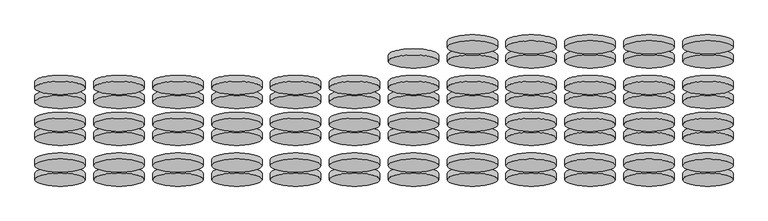
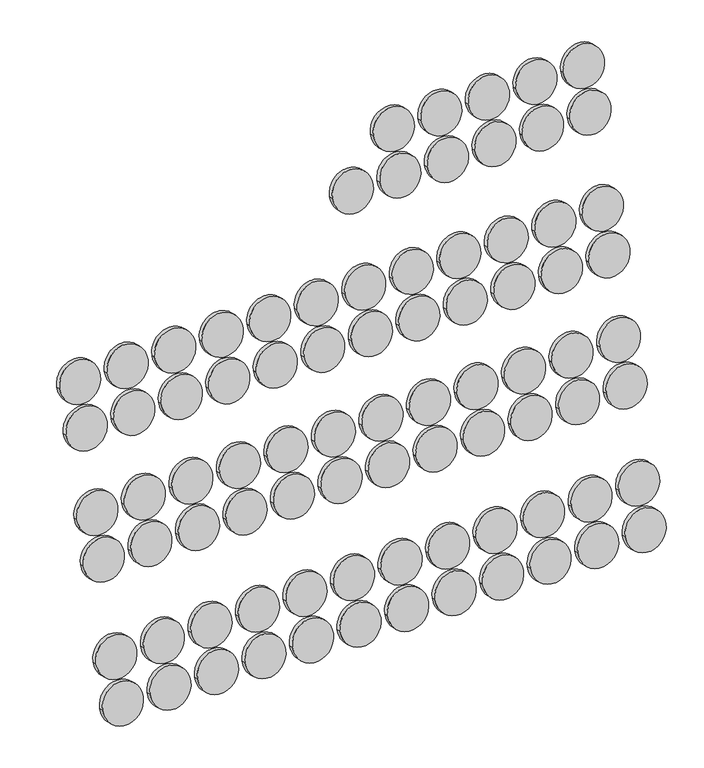
"""IFC4 building model written with IfcOpenShell, lengths in millimetres: proxy geometry."""

from ifc_helpers import new_model, si_unit, point, frame, frame_2d, origin, place, context, project, spatial, circle_curve, trimmed, segment, composite_curve, outline, extrude, source, transform, mapped, element, save


def generic_models_4fe20e9b(model_context):
    return source(origin(), model_context, "Body", "SweptSolid", [
        extrude(outline(composite_curve([segment(trimmed(circle_curve(frame_2d((0.0, -300.0)), 300.0), [point((0.0, -600.0))], [point((0.0, 0.0))], False, "CARTESIAN"), True, "CONTINUOUS"), segment(trimmed(circle_curve(frame_2d((0.0, -300.0)), 300.0), [point((0.0, 0.0))], [point((0.0, -600.0))], False, "CARTESIAN"), True, "CONTINUOUS")], self_intersect=False)), frame((6515.1625554, -2793.1536478, 3602.2351987), z_axis=(0.0, -0.9659258262890683, 0.2588190451025209), x_axis=(0.0, -0.2588190451025209, -0.9659258262890683)), (0.0, 0.0, 1.0), 74.4689321),
        extrude(outline(composite_curve([segment(trimmed(circle_curve(frame_2d((0.0, -300.0)), 300.0), [point((0.0, -600.0))], [point((0.0, 0.0))], False, "CARTESIAN"), True, "CONTINUOUS"), segment(trimmed(circle_curve(frame_2d((0.0, -300.0)), 300.0), [point((0.0, 0.0))], [point((0.0, -600.0))], False, "CARTESIAN"), True, "CONTINUOUS")], self_intersect=False)), frame((6515.1625554, -2626.0883181, 4225.7314972), z_axis=(0.0, -0.9659258262890683, 0.2588190451025209), x_axis=(0.0, -0.2588190451025209, -0.9659258262890683)), (0.0, 0.0, 1.0), 74.4689321),
        extrude(outline(composite_curve([segment(trimmed(circle_curve(frame_2d((0.0, -300.0)), 300.0), [point((0.0, -600.0))], [point((0.0, 0.0))], False, "CARTESIAN"), True, "CONTINUOUS"), segment(trimmed(circle_curve(frame_2d((0.0, -300.0)), 300.0), [point((0.0, 0.0))], [point((0.0, -600.0))], False, "CARTESIAN"), True, "CONTINUOUS")], self_intersect=False)), frame((5815.1625554, -2793.1536478, 3602.2351987), z_axis=(0.0, -0.9659258262890683, 0.2588190451025209), x_axis=(0.0, -0.2588190451025209, -0.9659258262890683)), (0.0, 0.0, 1.0), 74.4689321),
        extrude(outline(composite_curve([segment(trimmed(circle_curve(frame_2d((0.0, -300.0)), 300.0), [point((0.0, -600.0))], [point((0.0, 0.0))], False, "CARTESIAN"), True, "CONTINUOUS"), segment(trimmed(circle_curve(frame_2d((0.0, -300.0)), 300.0), [point((0.0, 0.0))], [point((0.0, -600.0))], False, "CARTESIAN"), True, "CONTINUOUS")], self_intersect=False)), frame((5815.1625554, -2626.0883181, 4225.7314972), z_axis=(0.0, -0.9659258262890683, 0.2588190451025209), x_axis=(0.0, -0.2588190451025209, -0.9659258262890683)), (0.0, 0.0, 1.0), 74.4689321),
        extrude(outline(composite_curve([segment(trimmed(circle_curve(frame_2d((0.0, -300.0)), 300.0), [point((0.0, -600.0))], [point((0.0, 0.0))], False, "CARTESIAN"), True, "CONTINUOUS"), segment(trimmed(circle_curve(frame_2d((0.0, -300.0)), 300.0), [point((0.0, 0.0))], [point((0.0, -600.0))], False, "CARTESIAN"), True, "CONTINUOUS")], self_intersect=False)), frame((5115.1625554, -2793.1536478, 3602.2351987), z_axis=(0.0, -0.9659258262890683, 0.2588190451025209), x_axis=(0.0, -0.2588190451025209, -0.9659258262890683)), (0.0, 0.0, 1.0), 74.4689321),
        extrude(outline(composite_curve([segment(trimmed(circle_curve(frame_2d((0.0, -300.0)), 300.0), [point((0.0, -600.0))], [point((0.0, 0.0))], False, "CARTESIAN"), True, "CONTINUOUS"), segment(trimmed(circle_curve(frame_2d((0.0, -300.0)), 300.0), [point((0.0, 0.0))], [point((0.0, -600.0))], False, "CARTESIAN"), True, "CONTINUOUS")], self_intersect=False)), frame((5115.1625554, -2626.0883181, 4225.7314972), z_axis=(0.0, -0.9659258262890683, 0.2588190451025209), x_axis=(0.0, -0.2588190451025209, -0.9659258262890683)), (0.0, 0.0, 1.0), 74.4689321),
        extrude(outline(composite_curve([segment(trimmed(circle_curve(frame_2d((0.0, -300.0)), 300.0), [point((0.0, -600.0))], [point((0.0, 0.0))], False, "CARTESIAN"), True, "CONTINUOUS"), segment(trimmed(circle_curve(frame_2d((0.0, -300.0)), 300.0), [point((0.0, 0.0))], [point((0.0, -600.0))], False, "CARTESIAN"), True, "CONTINUOUS")], self_intersect=False)), frame((4415.1625554, -2793.1536478, 3602.2351987), z_axis=(0.0, -0.9659258262890683, 0.2588190451025209), x_axis=(0.0, -0.2588190451025209, -0.9659258262890683)), (0.0, 0.0, 1.0), 74.4689321),
        extrude(outline(composite_curve([segment(trimmed(circle_curve(frame_2d((0.0, -300.0)), 300.0), [point((0.0, -600.0))], [point((0.0, 0.0))], False, "CARTESIAN"), True, "CONTINUOUS"), segment(trimmed(circle_curve(frame_2d((0.0, -300.0)), 300.0), [point((0.0, 0.0))], [point((0.0, -600.0))], False, "CARTESIAN"), True, "CONTINUOUS")], self_intersect=False)), frame((4415.1625554, -2626.0883181, 4225.7314972), z_axis=(0.0, -0.9659258262890683, 0.2588190451025209), x_axis=(0.0, -0.2588190451025209, -0.9659258262890683)), (0.0, 0.0, 1.0), 74.4689321),
        extrude(outline(composite_curve([segment(trimmed(circle_curve(frame_2d((0.0, -300.0)), 300.0), [point((0.0, -600.0))], [point((0.0, 0.0))], False, "CARTESIAN"), True, "CONTINUOUS"), segment(trimmed(circle_curve(frame_2d((0.0, -300.0)), 300.0), [point((0.0, 0.0))], [point((0.0, -600.0))], False, "CARTESIAN"), True, "CONTINUOUS")], self_intersect=False)), frame((3715.1625554, -2793.1536478, 3602.2351987), z_axis=(0.0, -0.9659258262890683, 0.2588190451025209), x_axis=(0.0, -0.2588190451025209, -0.9659258262890683)), (0.0, 0.0, 1.0), 74.4689321),
        extrude(outline(composite_curve([segment(trimmed(circle_curve(frame_2d((0.0, -300.0)), 300.0), [point((0.0, -600.0))], [point((0.0, 0.0))], False, "CARTESIAN"), True, "CONTINUOUS"), segment(trimmed(circle_curve(frame_2d((0.0, -300.0)), 300.0), [point((0.0, 0.0))], [point((0.0, -600.0))], False, "CARTESIAN"), True, "CONTINUOUS")], self_intersect=False)), frame((3715.1625554, -2626.0883181, 4225.7314972), z_axis=(0.0, -0.9659258262890683, 0.2588190451025209), x_axis=(0.0, -0.2588190451025209, -0.9659258262890683)), (0.0, 0.0, 1.0), 74.4689321),
        extrude(outline(composite_curve([segment(trimmed(circle_curve(frame_2d((0.0, -300.0)), 300.0), [point((0.0, -600.0))], [point((0.0, 0.0))], False, "CARTESIAN"), True, "CONTINUOUS"), segment(trimmed(circle_curve(frame_2d((0.0, -300.0)), 300.0), [point((0.0, 0.0))], [point((0.0, -600.0))], False, "CARTESIAN"), True, "CONTINUOUS")], self_intersect=False)), frame((3015.1625554, -2793.1536478, 3602.2351987), z_axis=(0.0, -0.9659258262890683, 0.2588190451025209), x_axis=(0.0, -0.2588190451025209, -0.9659258262890683)), (0.0, 0.0, 1.0), 74.4689321),
        extrude(outline(composite_curve([segment(trimmed(circle_curve(frame_2d((0.0, -300.0)), 300.0), [point((0.0, -600.0))], [point((0.0, 0.0))], False, "CARTESIAN"), True, "CONTINUOUS"), segment(trimmed(circle_curve(frame_2d((0.0, -300.0)), 300.0), [point((0.0, 0.0))], [point((0.0, -600.0))], False, "CARTESIAN"), True, "CONTINUOUS")], self_intersect=False)), frame((3015.1625554, -2626.0883181, 4225.7314972), z_axis=(0.0, -0.9659258262890683, 0.2588190451025209), x_axis=(0.0, -0.2588190451025209, -0.9659258262890683)), (0.0, 0.0, 1.0), 74.4689321),
        extrude(outline(composite_curve([segment(trimmed(circle_curve(frame_2d((0.0, -300.0)), 300.0), [point((0.0, -600.0))], [point((0.0, 0.0))], False, "CARTESIAN"), True, "CONTINUOUS"), segment(trimmed(circle_curve(frame_2d((0.0, -300.0)), 300.0), [point((0.0, 0.0))], [point((0.0, -600.0))], False, "CARTESIAN"), True, "CONTINUOUS")], self_intersect=False)), frame((2315.1625554, -2793.1536478, 3602.2351987), z_axis=(0.0, -0.9659258262890683, 0.2588190451025209), x_axis=(0.0, -0.2588190451025209, -0.9659258262890683)), (0.0, 0.0, 1.0), 74.4689321),
        extrude(outline(composite_curve([segment(trimmed(circle_curve(frame_2d((0.0, -300.0)), 300.0), [point((0.0, -600.0))], [point((0.0, 0.0))], False, "CARTESIAN"), True, "CONTINUOUS"), segment(trimmed(circle_curve(frame_2d((0.0, -300.0)), 300.0), [point((0.0, 0.0))], [point((0.0, -600.0))], False, "CARTESIAN"), True, "CONTINUOUS")], self_intersect=False)), frame((2315.1625554, -2626.0883181, 4225.7314972), z_axis=(0.0, -0.9659258262890683, 0.2588190451025209), x_axis=(0.0, -0.2588190451025209, -0.9659258262890683)), (0.0, 0.0, 1.0), 74.4689321),
        extrude(outline(composite_curve([segment(trimmed(circle_curve(frame_2d((0.0, -300.0)), 300.0), [point((0.0, -600.0))], [point((0.0, 0.0))], False, "CARTESIAN"), True, "CONTINUOUS"), segment(trimmed(circle_curve(frame_2d((0.0, -300.0)), 300.0), [point((0.0, 0.0))], [point((0.0, -600.0))], False, "CARTESIAN"), True, "CONTINUOUS")], self_intersect=False)), frame((1615.1625554, -2793.1536478, 3602.2351987), z_axis=(0.0, -0.9659258262890683, 0.2588190451025209), x_axis=(0.0, -0.2588190451025209, -0.9659258262890683)), (0.0, 0.0, 1.0), 74.4689321),
        extrude(outline(composite_curve([segment(trimmed(circle_curve(frame_2d((0.0, -300.0)), 300.0), [point((0.0, -600.0))], [point((0.0, 0.0))], False, "CARTESIAN"), True, "CONTINUOUS"), segment(trimmed(circle_curve(frame_2d((0.0, -300.0)), 300.0), [point((0.0, 0.0))], [point((0.0, -600.0))], False, "CARTESIAN"), True, "CONTINUOUS")], self_intersect=False)), frame((1615.1625554, -2626.0883181, 4225.7314972), z_axis=(0.0, -0.9659258262890683, 0.2588190451025209), x_axis=(0.0, -0.2588190451025209, -0.9659258262890683)), (0.0, 0.0, 1.0), 74.4689321),
        extrude(outline(composite_curve([segment(trimmed(circle_curve(frame_2d((0.0, -300.0)), 300.0), [point((0.0, -600.0))], [point((0.0, 0.0))], False, "CARTESIAN"), True, "CONTINUOUS"), segment(trimmed(circle_curve(frame_2d((0.0, -300.0)), 300.0), [point((0.0, 0.0))], [point((0.0, -600.0))], False, "CARTESIAN"), True, "CONTINUOUS")], self_intersect=False)), frame((915.1625554, -2793.1536478, 3602.2351987), z_axis=(0.0, -0.9659258262890683, 0.2588190451025209), x_axis=(0.0, -0.2588190451025209, -0.9659258262890683)), (0.0, 0.0, 1.0), 74.4689321),
        extrude(outline(composite_curve([segment(trimmed(circle_curve(frame_2d((0.0, -300.0)), 300.0), [point((0.0, -600.0))], [point((0.0, 0.0))], False, "CARTESIAN"), True, "CONTINUOUS"), segment(trimmed(circle_curve(frame_2d((0.0, -300.0)), 300.0), [point((0.0, 0.0))], [point((0.0, -600.0))], False, "CARTESIAN"), True, "CONTINUOUS")], self_intersect=False)), frame((915.1625554, -2626.0883181, 4225.7314972), z_axis=(0.0, -0.9659258262890683, 0.2588190451025209), x_axis=(0.0, -0.2588190451025209, -0.9659258262890683)), (0.0, 0.0, 1.0), 74.4689321),
        extrude(outline(composite_curve([segment(trimmed(circle_curve(frame_2d((0.0, -300.0)), 300.0), [point((0.0, -600.0))], [point((0.0, 0.0))], False, "CARTESIAN"), True, "CONTINUOUS"), segment(trimmed(circle_curve(frame_2d((0.0, -300.0)), 300.0), [point((0.0, 0.0))], [point((0.0, -600.0))], False, "CARTESIAN"), True, "CONTINUOUS")], self_intersect=False)), frame((215.1625554, -2793.1536478, 3602.2351987), z_axis=(0.0, -0.9659258262890683, 0.2588190451025209), x_axis=(0.0, -0.2588190451025209, -0.9659258262890683)), (0.0, 0.0, 1.0), 74.4689321),
        extrude(outline(composite_curve([segment(trimmed(circle_curve(frame_2d((0.0, -300.0)), 300.0), [point((0.0, -600.0))], [point((0.0, 0.0))], False, "CARTESIAN"), True, "CONTINUOUS"), segment(trimmed(circle_curve(frame_2d((0.0, -300.0)), 300.0), [point((0.0, 0.0))], [point((0.0, -600.0))], False, "CARTESIAN"), True, "CONTINUOUS")], self_intersect=False)), frame((215.1625554, -2626.0883181, 4225.7314972), z_axis=(0.0, -0.9659258262890683, 0.2588190451025209), x_axis=(0.0, -0.2588190451025209, -0.9659258262890683)), (0.0, 0.0, 1.0), 74.4689321),
        extrude(outline(composite_curve([segment(trimmed(circle_curve(frame_2d((0.0, -300.0)), 300.0), [point((0.0, -600.0))], [point((0.0, 0.0))], False, "CARTESIAN"), True, "CONTINUOUS"), segment(trimmed(circle_curve(frame_2d((0.0, -300.0)), 300.0), [point((0.0, 0.0))], [point((0.0, -600.0))], False, "CARTESIAN"), True, "CONTINUOUS")], self_intersect=False)), frame((-484.8374446, -2793.1536478, 3602.2351987), z_axis=(0.0, -0.9659258262890683, 0.2588190451025209), x_axis=(0.0, -0.2588190451025209, -0.9659258262890683)), (0.0, 0.0, 1.0), 74.4689321),
        extrude(outline(composite_curve([segment(trimmed(circle_curve(frame_2d((0.0, -300.0)), 300.0), [point((0.0, -600.0))], [point((0.0, 0.0))], False, "CARTESIAN"), True, "CONTINUOUS"), segment(trimmed(circle_curve(frame_2d((0.0, -300.0)), 300.0), [point((0.0, 0.0))], [point((0.0, -600.0))], False, "CARTESIAN"), True, "CONTINUOUS")], self_intersect=False)), frame((-484.8374446, -2626.0883181, 4225.7314972), z_axis=(0.0, -0.9659258262890683, 0.2588190451025209), x_axis=(0.0, -0.2588190451025209, -0.9659258262890683)), (0.0, 0.0, 1.0), 74.4689321),
        extrude(outline(composite_curve([segment(trimmed(circle_curve(frame_2d((0.0, -300.0)), 300.0), [point((0.0, -600.0))], [point((0.0, 0.0))], False, "CARTESIAN"), True, "CONTINUOUS"), segment(trimmed(circle_curve(frame_2d((0.0, -300.0)), 300.0), [point((0.0, 0.0))], [point((0.0, -600.0))], False, "CARTESIAN"), True, "CONTINUOUS")], self_intersect=False)), frame((-1184.8374446, -2793.1536478, 3602.2351987), z_axis=(0.0, -0.9659258262890683, 0.2588190451025209), x_axis=(0.0, -0.2588190451025209, -0.9659258262890683)), (0.0, 0.0, 1.0), 74.4689321),
        extrude(outline(composite_curve([segment(trimmed(circle_curve(frame_2d((0.0, -300.0)), 300.0), [point((0.0, -600.0))], [point((0.0, 0.0))], False, "CARTESIAN"), True, "CONTINUOUS"), segment(trimmed(circle_curve(frame_2d((0.0, -300.0)), 300.0), [point((0.0, 0.0))], [point((0.0, -600.0))], False, "CARTESIAN"), True, "CONTINUOUS")], self_intersect=False)), frame((-1184.8374446, -2626.0883181, 4225.7314972), z_axis=(0.0, -0.9659258262890683, 0.2588190451025209), x_axis=(0.0, -0.2588190451025209, -0.9659258262890683)), (0.0, 0.0, 1.0), 74.4689321),
        extrude(outline(composite_curve([segment(trimmed(circle_curve(frame_2d((0.0, -300.0)), 300.0), [point((0.0, -600.0))], [point((0.0, 0.0))], False, "CARTESIAN"), True, "CONTINUOUS"), segment(trimmed(circle_curve(frame_2d((0.0, -300.0)), 300.0), [point((0.0, 0.0))], [point((0.0, -600.0))], False, "CARTESIAN"), True, "CONTINUOUS")], self_intersect=False)), frame((6515.1625554, -2307.4866996, 5545.4055941), z_axis=(0.0, -0.9659258262890683, 0.2588190451025209), x_axis=(0.0, -0.2588190451025209, -0.9659258262890683)), (0.0, 0.0, 1.0), 74.4689321),
        extrude(outline(composite_curve([segment(trimmed(circle_curve(frame_2d((0.0, -300.0)), 300.0), [point((0.0, -600.0))], [point((0.0, 0.0))], False, "CARTESIAN"), True, "CONTINUOUS"), segment(trimmed(circle_curve(frame_2d((0.0, -300.0)), 300.0), [point((0.0, 0.0))], [point((0.0, -600.0))], False, "CARTESIAN"), True, "CONTINUOUS")], self_intersect=False)), frame((6515.1625554, -2140.4213699, 6168.9018926), z_axis=(0.0, -0.9659258262890683, 0.2588190451025209), x_axis=(0.0, -0.2588190451025209, -0.9659258262890683)), (0.0, 0.0, 1.0), 74.4689321),
        extrude(outline(composite_curve([segment(trimmed(circle_curve(frame_2d((0.0, -300.0)), 300.0), [point((0.0, -600.0))], [point((0.0, 0.0))], False, "CARTESIAN"), True, "CONTINUOUS"), segment(trimmed(circle_curve(frame_2d((0.0, -300.0)), 300.0), [point((0.0, 0.0))], [point((0.0, -600.0))], False, "CARTESIAN"), True, "CONTINUOUS")], self_intersect=False)), frame((5815.1625554, -2307.4866996, 5545.4055941), z_axis=(0.0, -0.9659258262890683, 0.2588190451025209), x_axis=(0.0, -0.2588190451025209, -0.9659258262890683)), (0.0, 0.0, 1.0), 74.4689321),
        extrude(outline(composite_curve([segment(trimmed(circle_curve(frame_2d((0.0, -300.0)), 300.0), [point((0.0, -600.0))], [point((0.0, 0.0))], False, "CARTESIAN"), True, "CONTINUOUS"), segment(trimmed(circle_curve(frame_2d((0.0, -300.0)), 300.0), [point((0.0, 0.0))], [point((0.0, -600.0))], False, "CARTESIAN"), True, "CONTINUOUS")], self_intersect=False)), frame((5815.1625554, -2140.4213699, 6168.9018926), z_axis=(0.0, -0.9659258262890683, 0.2588190451025209), x_axis=(0.0, -0.2588190451025209, -0.9659258262890683)), (0.0, 0.0, 1.0), 74.4689321),
        extrude(outline(composite_curve([segment(trimmed(circle_curve(frame_2d((0.0, -300.0)), 300.0), [point((0.0, -600.0))], [point((0.0, 0.0))], False, "CARTESIAN"), True, "CONTINUOUS"), segment(trimmed(circle_curve(frame_2d((0.0, -300.0)), 300.0), [point((0.0, 0.0))], [point((0.0, -600.0))], False, "CARTESIAN"), True, "CONTINUOUS")], self_intersect=False)), frame((5115.1625554, -2307.4866996, 5545.4055941), z_axis=(0.0, -0.9659258262890683, 0.2588190451025209), x_axis=(0.0, -0.2588190451025209, -0.9659258262890683)), (0.0, 0.0, 1.0), 74.4689321),
        extrude(outline(composite_curve([segment(trimmed(circle_curve(frame_2d((0.0, -300.0)), 300.0), [point((0.0, -600.0))], [point((0.0, 0.0))], False, "CARTESIAN"), True, "CONTINUOUS"), segment(trimmed(circle_curve(frame_2d((0.0, -300.0)), 300.0), [point((0.0, 0.0))], [point((0.0, -600.0))], False, "CARTESIAN"), True, "CONTINUOUS")], self_intersect=False)), frame((5115.1625554, -2140.4213699, 6168.9018926), z_axis=(0.0, -0.9659258262890683, 0.2588190451025209), x_axis=(0.0, -0.2588190451025209, -0.9659258262890683)), (0.0, 0.0, 1.0), 74.4689321),
        extrude(outline(composite_curve([segment(trimmed(circle_curve(frame_2d((0.0, -300.0)), 300.0), [point((0.0, -600.0))], [point((0.0, 0.0))], False, "CARTESIAN"), True, "CONTINUOUS"), segment(trimmed(circle_curve(frame_2d((0.0, -300.0)), 300.0), [point((0.0, 0.0))], [point((0.0, -600.0))], False, "CARTESIAN"), True, "CONTINUOUS")], self_intersect=False)), frame((4415.1625554, -2307.4866996, 5545.4055941), z_axis=(0.0, -0.9659258262890683, 0.2588190451025209), x_axis=(0.0, -0.2588190451025209, -0.9659258262890683)), (0.0, 0.0, 1.0), 74.4689321),
        extrude(outline(composite_curve([segment(trimmed(circle_curve(frame_2d((0.0, -300.0)), 300.0), [point((0.0, -600.0))], [point((0.0, 0.0))], False, "CARTESIAN"), True, "CONTINUOUS"), segment(trimmed(circle_curve(frame_2d((0.0, -300.0)), 300.0), [point((0.0, 0.0))], [point((0.0, -600.0))], False, "CARTESIAN"), True, "CONTINUOUS")], self_intersect=False)), frame((4415.1625554, -2140.4213699, 6168.9018926), z_axis=(0.0, -0.9659258262890683, 0.2588190451025209), x_axis=(0.0, -0.2588190451025209, -0.9659258262890683)), (0.0, 0.0, 1.0), 74.4689321),
        extrude(outline(composite_curve([segment(trimmed(circle_curve(frame_2d((0.0, -300.0)), 300.0), [point((0.0, -600.0))], [point((0.0, 0.0))], False, "CARTESIAN"), True, "CONTINUOUS"), segment(trimmed(circle_curve(frame_2d((0.0, -300.0)), 300.0), [point((0.0, 0.0))], [point((0.0, -600.0))], False, "CARTESIAN"), True, "CONTINUOUS")], self_intersect=False)), frame((3715.1625554, -2307.4866996, 5545.4055941), z_axis=(0.0, -0.9659258262890683, 0.2588190451025209), x_axis=(0.0, -0.2588190451025209, -0.9659258262890683)), (0.0, 0.0, 1.0), 74.4689321),
        extrude(outline(composite_curve([segment(trimmed(circle_curve(frame_2d((0.0, -300.0)), 300.0), [point((0.0, -600.0))], [point((0.0, 0.0))], False, "CARTESIAN"), True, "CONTINUOUS"), segment(trimmed(circle_curve(frame_2d((0.0, -300.0)), 300.0), [point((0.0, 0.0))], [point((0.0, -600.0))], False, "CARTESIAN"), True, "CONTINUOUS")], self_intersect=False)), frame((3715.1625554, -2140.4213699, 6168.9018926), z_axis=(0.0, -0.9659258262890683, 0.2588190451025209), x_axis=(0.0, -0.2588190451025209, -0.9659258262890683)), (0.0, 0.0, 1.0), 74.4689321),
        extrude(outline(composite_curve([segment(trimmed(circle_curve(frame_2d((0.0, -300.0)), 300.0), [point((0.0, -600.0))], [point((0.0, 0.0))], False, "CARTESIAN"), True, "CONTINUOUS"), segment(trimmed(circle_curve(frame_2d((0.0, -300.0)), 300.0), [point((0.0, 0.0))], [point((0.0, -600.0))], False, "CARTESIAN"), True, "CONTINUOUS")], self_intersect=False)), frame((3015.1625554, -2307.4866996, 5545.4055941), z_axis=(0.0, -0.9659258262890683, 0.2588190451025209), x_axis=(0.0, -0.2588190451025209, -0.9659258262890683)), (0.0, 0.0, 1.0), 74.4689321),
        extrude(outline(composite_curve([segment(trimmed(circle_curve(frame_2d((0.0, -300.0)), 300.0), [point((0.0, -600.0))], [point((0.0, 0.0))], False, "CARTESIAN"), True, "CONTINUOUS"), segment(trimmed(circle_curve(frame_2d((0.0, -300.0)), 300.0), [point((0.0, 0.0))], [point((0.0, -600.0))], False, "CARTESIAN"), True, "CONTINUOUS")], self_intersect=False)), frame((3015.1625554, -2140.4213699, 6168.9018926), z_axis=(0.0, -0.9659258262890683, 0.2588190451025209), x_axis=(0.0, -0.2588190451025209, -0.9659258262890683)), (0.0, 0.0, 1.0), 74.4689321),
        extrude(outline(composite_curve([segment(trimmed(circle_curve(frame_2d((0.0, -300.0)), 300.0), [point((0.0, -600.0))], [point((0.0, 0.0))], False, "CARTESIAN"), True, "CONTINUOUS"), segment(trimmed(circle_curve(frame_2d((0.0, -300.0)), 300.0), [point((0.0, 0.0))], [point((0.0, -600.0))], False, "CARTESIAN"), True, "CONTINUOUS")], self_intersect=False)), frame((2315.1625554, -2307.4866996, 5545.4055941), z_axis=(0.0, -0.9659258262890683, 0.2588190451025209), x_axis=(0.0, -0.2588190451025209, -0.9659258262890683)), (0.0, 0.0, 1.0), 74.4689321),
        extrude(outline(composite_curve([segment(trimmed(circle_curve(frame_2d((0.0, -300.0)), 300.0), [point((0.0, -600.0))], [point((0.0, 0.0))], False, "CARTESIAN"), True, "CONTINUOUS"), segment(trimmed(circle_curve(frame_2d((0.0, -300.0)), 300.0), [point((0.0, 0.0))], [point((0.0, -600.0))], False, "CARTESIAN"), True, "CONTINUOUS")], self_intersect=False)), frame((2315.1625554, -2140.4213699, 6168.9018926), z_axis=(0.0, -0.9659258262890683, 0.2588190451025209), x_axis=(0.0, -0.2588190451025209, -0.9659258262890683)), (0.0, 0.0, 1.0), 74.4689321),
        extrude(outline(composite_curve([segment(trimmed(circle_curve(frame_2d((0.0, -300.0)), 300.0), [point((0.0, -600.0))], [point((0.0, 0.0))], False, "CARTESIAN"), True, "CONTINUOUS"), segment(trimmed(circle_curve(frame_2d((0.0, -300.0)), 300.0), [point((0.0, 0.0))], [point((0.0, -600.0))], False, "CARTESIAN"), True, "CONTINUOUS")], self_intersect=False)), frame((1615.1625554, -2307.4866996, 5545.4055941), z_axis=(0.0, -0.9659258262890683, 0.2588190451025209), x_axis=(0.0, -0.2588190451025209, -0.9659258262890683)), (0.0, 0.0, 1.0), 74.4689321),
        extrude(outline(composite_curve([segment(trimmed(circle_curve(frame_2d((0.0, -300.0)), 300.0), [point((0.0, -600.0))], [point((0.0, 0.0))], False, "CARTESIAN"), True, "CONTINUOUS"), segment(trimmed(circle_curve(frame_2d((0.0, -300.0)), 300.0), [point((0.0, 0.0))], [point((0.0, -600.0))], False, "CARTESIAN"), True, "CONTINUOUS")], self_intersect=False)), frame((1615.1625554, -2140.4213699, 6168.9018926), z_axis=(0.0, -0.9659258262890683, 0.2588190451025209), x_axis=(0.0, -0.2588190451025209, -0.9659258262890683)), (0.0, 0.0, 1.0), 74.4689321),
        extrude(outline(composite_curve([segment(trimmed(circle_curve(frame_2d((0.0, -300.0)), 300.0), [point((0.0, -600.0))], [point((0.0, 0.0))], False, "CARTESIAN"), True, "CONTINUOUS"), segment(trimmed(circle_curve(frame_2d((0.0, -300.0)), 300.0), [point((0.0, 0.0))], [point((0.0, -600.0))], False, "CARTESIAN"), True, "CONTINUOUS")], self_intersect=False)), frame((915.1625554, -2307.4866996, 5545.4055941), z_axis=(0.0, -0.9659258262890683, 0.2588190451025209), x_axis=(0.0, -0.2588190451025209, -0.9659258262890683)), (0.0, 0.0, 1.0), 74.4689321),
        extrude(outline(composite_curve([segment(trimmed(circle_curve(frame_2d((0.0, -300.0)), 300.0), [point((0.0, -600.0))], [point((0.0, 0.0))], False, "CARTESIAN"), True, "CONTINUOUS"), segment(trimmed(circle_curve(frame_2d((0.0, -300.0)), 300.0), [point((0.0, 0.0))], [point((0.0, -600.0))], False, "CARTESIAN"), True, "CONTINUOUS")], self_intersect=False)), frame((915.1625554, -2140.4213699, 6168.9018926), z_axis=(0.0, -0.9659258262890683, 0.2588190451025209), x_axis=(0.0, -0.2588190451025209, -0.9659258262890683)), (0.0, 0.0, 1.0), 74.4689321),
        extrude(outline(composite_curve([segment(trimmed(circle_curve(frame_2d((0.0, -300.0)), 300.0), [point((0.0, -600.0))], [point((0.0, 0.0))], False, "CARTESIAN"), True, "CONTINUOUS"), segment(trimmed(circle_curve(frame_2d((0.0, -300.0)), 300.0), [point((0.0, 0.0))], [point((0.0, -600.0))], False, "CARTESIAN"), True, "CONTINUOUS")], self_intersect=False)), frame((215.1625554, -2307.4866996, 5545.4055941), z_axis=(0.0, -0.9659258262890683, 0.2588190451025209), x_axis=(0.0, -0.2588190451025209, -0.9659258262890683)), (0.0, 0.0, 1.0), 74.4689321),
        extrude(outline(composite_curve([segment(trimmed(circle_curve(frame_2d((0.0, -300.0)), 300.0), [point((0.0, -600.0))], [point((0.0, 0.0))], False, "CARTESIAN"), True, "CONTINUOUS"), segment(trimmed(circle_curve(frame_2d((0.0, -300.0)), 300.0), [point((0.0, 0.0))], [point((0.0, -600.0))], False, "CARTESIAN"), True, "CONTINUOUS")], self_intersect=False)), frame((215.1625554, -2140.4213699, 6168.9018926), z_axis=(0.0, -0.9659258262890683, 0.2588190451025209), x_axis=(0.0, -0.2588190451025209, -0.9659258262890683)), (0.0, 0.0, 1.0), 74.4689321),
        extrude(outline(composite_curve([segment(trimmed(circle_curve(frame_2d((0.0, -300.0)), 300.0), [point((0.0, -600.0))], [point((0.0, 0.0))], False, "CARTESIAN"), True, "CONTINUOUS"), segment(trimmed(circle_curve(frame_2d((0.0, -300.0)), 300.0), [point((0.0, 0.0))], [point((0.0, -600.0))], False, "CARTESIAN"), True, "CONTINUOUS")], self_intersect=False)), frame((-484.8374446, -2307.4866996, 5545.4055941), z_axis=(0.0, -0.9659258262890683, 0.2588190451025209), x_axis=(0.0, -0.2588190451025209, -0.9659258262890683)), (0.0, 0.0, 1.0), 74.4689321),
        extrude(outline(composite_curve([segment(trimmed(circle_curve(frame_2d((0.0, -300.0)), 300.0), [point((0.0, -600.0))], [point((0.0, 0.0))], False, "CARTESIAN"), True, "CONTINUOUS"), segment(trimmed(circle_curve(frame_2d((0.0, -300.0)), 300.0), [point((0.0, 0.0))], [point((0.0, -600.0))], False, "CARTESIAN"), True, "CONTINUOUS")], self_intersect=False)), frame((-484.8374446, -2140.4213699, 6168.9018926), z_axis=(0.0, -0.9659258262890683, 0.2588190451025209), x_axis=(0.0, -0.2588190451025209, -0.9659258262890683)), (0.0, 0.0, 1.0), 74.4689321),
        extrude(outline(composite_curve([segment(trimmed(circle_curve(frame_2d((0.0, -300.0)), 300.0), [point((0.0, -600.0))], [point((0.0, 0.0))], False, "CARTESIAN"), True, "CONTINUOUS"), segment(trimmed(circle_curve(frame_2d((0.0, -300.0)), 300.0), [point((0.0, 0.0))], [point((0.0, -600.0))], False, "CARTESIAN"), True, "CONTINUOUS")], self_intersect=False)), frame((-1184.8374446, -2307.4866996, 5545.4055941), z_axis=(0.0, -0.9659258262890683, 0.2588190451025209), x_axis=(0.0, -0.2588190451025209, -0.9659258262890683)), (0.0, 0.0, 1.0), 74.4689321),
        extrude(outline(composite_curve([segment(trimmed(circle_curve(frame_2d((0.0, -300.0)), 300.0), [point((0.0, -600.0))], [point((0.0, 0.0))], False, "CARTESIAN"), True, "CONTINUOUS"), segment(trimmed(circle_curve(frame_2d((0.0, -300.0)), 300.0), [point((0.0, 0.0))], [point((0.0, -600.0))], False, "CARTESIAN"), True, "CONTINUOUS")], self_intersect=False)), frame((-1184.8374446, -2140.4213699, 6168.9018926), z_axis=(0.0, -0.9659258262890683, 0.2588190451025209), x_axis=(0.0, -0.2588190451025209, -0.9659258262890683)), (0.0, 0.0, 1.0), 74.4689321),
        extrude(outline(composite_curve([segment(trimmed(circle_curve(frame_2d((0.0, -300.0)), 300.0), [point((0.0, -600.0))], [point((0.0, 0.0))], False, "CARTESIAN"), True, "CONTINUOUS"), segment(trimmed(circle_curve(frame_2d((0.0, -300.0)), 300.0), [point((0.0, 0.0))], [point((0.0, -600.0))], False, "CARTESIAN"), True, "CONTINUOUS")], self_intersect=False)), frame((6515.1625554, -1868.8435884, 7319.2114052), z_axis=(0.0, -0.9659258262890683, 0.2588190451025209), x_axis=(0.0, -0.2588190451025209, -0.9659258262890683)), (0.0, 0.0, 1.0), 74.4689321),
        extrude(outline(composite_curve([segment(trimmed(circle_curve(frame_2d((0.0, -300.0)), 300.0), [point((0.0, -600.0))], [point((0.0, 0.0))], False, "CARTESIAN"), True, "CONTINUOUS"), segment(trimmed(circle_curve(frame_2d((0.0, -300.0)), 300.0), [point((0.0, 0.0))], [point((0.0, -600.0))], False, "CARTESIAN"), True, "CONTINUOUS")], self_intersect=False)), frame((6515.1625554, -1701.7782587, 7942.7077038), z_axis=(0.0, -0.9659258262890683, 0.2588190451025209), x_axis=(0.0, -0.2588190451025209, -0.9659258262890683)), (0.0, 0.0, 1.0), 74.4689321),
        extrude(outline(composite_curve([segment(trimmed(circle_curve(frame_2d((0.0, -300.0)), 300.0), [point((0.0, -600.0))], [point((0.0, 0.0))], False, "CARTESIAN"), True, "CONTINUOUS"), segment(trimmed(circle_curve(frame_2d((0.0, -300.0)), 300.0), [point((0.0, 0.0))], [point((0.0, -600.0))], False, "CARTESIAN"), True, "CONTINUOUS")], self_intersect=False)), frame((5815.1625554, -1868.8435884, 7319.2114052), z_axis=(0.0, -0.9659258262890683, 0.2588190451025209), x_axis=(0.0, -0.2588190451025209, -0.9659258262890683)), (0.0, 0.0, 1.0), 74.4689321),
        extrude(outline(composite_curve([segment(trimmed(circle_curve(frame_2d((0.0, -300.0)), 300.0), [point((0.0, -600.0))], [point((0.0, 0.0))], False, "CARTESIAN"), True, "CONTINUOUS"), segment(trimmed(circle_curve(frame_2d((0.0, -300.0)), 300.0), [point((0.0, 0.0))], [point((0.0, -600.0))], False, "CARTESIAN"), True, "CONTINUOUS")], self_intersect=False)), frame((5815.1625554, -1701.7782587, 7942.7077038), z_axis=(0.0, -0.9659258262890683, 0.2588190451025209), x_axis=(0.0, -0.2588190451025209, -0.9659258262890683)), (0.0, 0.0, 1.0), 74.4689321),
        extrude(outline(composite_curve([segment(trimmed(circle_curve(frame_2d((0.0, -300.0)), 300.0), [point((0.0, -600.0))], [point((0.0, 0.0))], False, "CARTESIAN"), True, "CONTINUOUS"), segment(trimmed(circle_curve(frame_2d((0.0, -300.0)), 300.0), [point((0.0, 0.0))], [point((0.0, -600.0))], False, "CARTESIAN"), True, "CONTINUOUS")], self_intersect=False)), frame((5115.1625554, -1868.8435884, 7319.2114052), z_axis=(0.0, -0.9659258262890683, 0.2588190451025209), x_axis=(0.0, -0.2588190451025209, -0.9659258262890683)), (0.0, 0.0, 1.0), 74.4689321),
        extrude(outline(composite_curve([segment(trimmed(circle_curve(frame_2d((0.0, -300.0)), 300.0), [point((0.0, -600.0))], [point((0.0, 0.0))], False, "CARTESIAN"), True, "CONTINUOUS"), segment(trimmed(circle_curve(frame_2d((0.0, -300.0)), 300.0), [point((0.0, 0.0))], [point((0.0, -600.0))], False, "CARTESIAN"), True, "CONTINUOUS")], self_intersect=False)), frame((5115.1625554, -1701.7782587, 7942.7077038), z_axis=(0.0, -0.9659258262890683, 0.2588190451025209), x_axis=(0.0, -0.2588190451025209, -0.9659258262890683)), (0.0, 0.0, 1.0), 74.4689321),
        extrude(outline(composite_curve([segment(trimmed(circle_curve(frame_2d((0.0, -300.0)), 300.0), [point((0.0, -600.0))], [point((0.0, 0.0))], False, "CARTESIAN"), True, "CONTINUOUS"), segment(trimmed(circle_curve(frame_2d((0.0, -300.0)), 300.0), [point((0.0, 0.0))], [point((0.0, -600.0))], False, "CARTESIAN"), True, "CONTINUOUS")], self_intersect=False)), frame((4415.1625554, -1868.8435884, 7319.2114052), z_axis=(0.0, -0.9659258262890683, 0.2588190451025209), x_axis=(0.0, -0.2588190451025209, -0.9659258262890683)), (0.0, 0.0, 1.0), 74.4689321),
        extrude(outline(composite_curve([segment(trimmed(circle_curve(frame_2d((0.0, -300.0)), 300.0), [point((0.0, -600.0))], [point((0.0, 0.0))], False, "CARTESIAN"), True, "CONTINUOUS"), segment(trimmed(circle_curve(frame_2d((0.0, -300.0)), 300.0), [point((0.0, 0.0))], [point((0.0, -600.0))], False, "CARTESIAN"), True, "CONTINUOUS")], self_intersect=False)), frame((4415.1625554, -1701.7782587, 7942.7077038), z_axis=(0.0, -0.9659258262890683, 0.2588190451025209), x_axis=(0.0, -0.2588190451025209, -0.9659258262890683)), (0.0, 0.0, 1.0), 74.4689321),
        extrude(outline(composite_curve([segment(trimmed(circle_curve(frame_2d((0.0, -300.0)), 300.0), [point((0.0, -600.0))], [point((0.0, 0.0))], False, "CARTESIAN"), True, "CONTINUOUS"), segment(trimmed(circle_curve(frame_2d((0.0, -300.0)), 300.0), [point((0.0, 0.0))], [point((0.0, -600.0))], False, "CARTESIAN"), True, "CONTINUOUS")], self_intersect=False)), frame((3715.1625554, -1868.8435884, 7319.2114052), z_axis=(0.0, -0.9659258262890683, 0.2588190451025209), x_axis=(0.0, -0.2588190451025209, -0.9659258262890683)), (0.0, 0.0, 1.0), 74.4689321),
        extrude(outline(composite_curve([segment(trimmed(circle_curve(frame_2d((0.0, -300.0)), 300.0), [point((0.0, -600.0))], [point((0.0, 0.0))], False, "CARTESIAN"), True, "CONTINUOUS"), segment(trimmed(circle_curve(frame_2d((0.0, -300.0)), 300.0), [point((0.0, 0.0))], [point((0.0, -600.0))], False, "CARTESIAN"), True, "CONTINUOUS")], self_intersect=False)), frame((3715.1625554, -1701.7782587, 7942.7077038), z_axis=(0.0, -0.9659258262890683, 0.2588190451025209), x_axis=(0.0, -0.2588190451025209, -0.9659258262890683)), (0.0, 0.0, 1.0), 74.4689321),
        extrude(outline(composite_curve([segment(trimmed(circle_curve(frame_2d((0.0, -300.0)), 300.0), [point((0.0, -600.0))], [point((0.0, 0.0))], False, "CARTESIAN"), True, "CONTINUOUS"), segment(trimmed(circle_curve(frame_2d((0.0, -300.0)), 300.0), [point((0.0, 0.0))], [point((0.0, -600.0))], False, "CARTESIAN"), True, "CONTINUOUS")], self_intersect=False)), frame((3015.1625554, -1868.8435884, 7319.2114052), z_axis=(0.0, -0.9659258262890683, 0.2588190451025209), x_axis=(0.0, -0.2588190451025209, -0.9659258262890683)), (0.0, 0.0, 1.0), 74.4689321),
        extrude(outline(composite_curve([segment(trimmed(circle_curve(frame_2d((0.0, -300.0)), 300.0), [point((0.0, -600.0))], [point((0.0, 0.0))], False, "CARTESIAN"), True, "CONTINUOUS"), segment(trimmed(circle_curve(frame_2d((0.0, -300.0)), 300.0), [point((0.0, 0.0))], [point((0.0, -600.0))], False, "CARTESIAN"), True, "CONTINUOUS")], self_intersect=False)), frame((3015.1625554, -1701.7782587, 7942.7077038), z_axis=(0.0, -0.9659258262890683, 0.2588190451025209), x_axis=(0.0, -0.2588190451025209, -0.9659258262890683)), (0.0, 0.0, 1.0), 74.4689321),
        extrude(outline(composite_curve([segment(trimmed(circle_curve(frame_2d((0.0, -300.0)), 300.0), [point((0.0, -600.0))], [point((0.0, 0.0))], False, "CARTESIAN"), True, "CONTINUOUS"), segment(trimmed(circle_curve(frame_2d((0.0, -300.0)), 300.0), [point((0.0, 0.0))], [point((0.0, -600.0))], False, "CARTESIAN"), True, "CONTINUOUS")], self_intersect=False)), frame((2315.1625554, -1868.8435884, 7319.2114052), z_axis=(0.0, -0.9659258262890683, 0.2588190451025209), x_axis=(0.0, -0.2588190451025209, -0.9659258262890683)), (0.0, 0.0, 1.0), 74.4689321),
        extrude(outline(composite_curve([segment(trimmed(circle_curve(frame_2d((0.0, -300.0)), 300.0), [point((0.0, -600.0))], [point((0.0, 0.0))], False, "CARTESIAN"), True, "CONTINUOUS"), segment(trimmed(circle_curve(frame_2d((0.0, -300.0)), 300.0), [point((0.0, 0.0))], [point((0.0, -600.0))], False, "CARTESIAN"), True, "CONTINUOUS")], self_intersect=False)), frame((2315.1625554, -1701.7782587, 7942.7077038), z_axis=(0.0, -0.9659258262890683, 0.2588190451025209), x_axis=(0.0, -0.2588190451025209, -0.9659258262890683)), (0.0, 0.0, 1.0), 74.4689321),
        extrude(outline(composite_curve([segment(trimmed(circle_curve(frame_2d((0.0, -300.0)), 300.0), [point((0.0, -600.0))], [point((0.0, 0.0))], False, "CARTESIAN"), True, "CONTINUOUS"), segment(trimmed(circle_curve(frame_2d((0.0, -300.0)), 300.0), [point((0.0, 0.0))], [point((0.0, -600.0))], False, "CARTESIAN"), True, "CONTINUOUS")], self_intersect=False)), frame((1615.1625554, -1868.8435884, 7319.2114052), z_axis=(0.0, -0.9659258262890683, 0.2588190451025209), x_axis=(0.0, -0.2588190451025209, -0.9659258262890683)), (0.0, 0.0, 1.0), 74.4689321),
        extrude(outline(composite_curve([segment(trimmed(circle_curve(frame_2d((0.0, -300.0)), 300.0), [point((0.0, -600.0))], [point((0.0, 0.0))], False, "CARTESIAN"), True, "CONTINUOUS"), segment(trimmed(circle_curve(frame_2d((0.0, -300.0)), 300.0), [point((0.0, 0.0))], [point((0.0, -600.0))], False, "CARTESIAN"), True, "CONTINUOUS")], self_intersect=False)), frame((1615.1625554, -1701.7782587, 7942.7077038), z_axis=(0.0, -0.9659258262890683, 0.2588190451025209), x_axis=(0.0, -0.2588190451025209, -0.9659258262890683)), (0.0, 0.0, 1.0), 74.4689321),
        extrude(outline(composite_curve([segment(trimmed(circle_curve(frame_2d((0.0, -300.0)), 300.0), [point((0.0, -600.0))], [point((0.0, 0.0))], False, "CARTESIAN"), True, "CONTINUOUS"), segment(trimmed(circle_curve(frame_2d((0.0, -300.0)), 300.0), [point((0.0, 0.0))], [point((0.0, -600.0))], False, "CARTESIAN"), True, "CONTINUOUS")], self_intersect=False)), frame((915.1625554, -1868.8435884, 7319.2114052), z_axis=(0.0, -0.9659258262890683, 0.2588190451025209), x_axis=(0.0, -0.2588190451025209, -0.9659258262890683)), (0.0, 0.0, 1.0), 74.4689321),
        extrude(outline(composite_curve([segment(trimmed(circle_curve(frame_2d((0.0, -300.0)), 300.0), [point((0.0, -600.0))], [point((0.0, 0.0))], False, "CARTESIAN"), True, "CONTINUOUS"), segment(trimmed(circle_curve(frame_2d((0.0, -300.0)), 300.0), [point((0.0, 0.0))], [point((0.0, -600.0))], False, "CARTESIAN"), True, "CONTINUOUS")], self_intersect=False)), frame((915.1625554, -1701.7782587, 7942.7077038), z_axis=(0.0, -0.9659258262890683, 0.2588190451025209), x_axis=(0.0, -0.2588190451025209, -0.9659258262890683)), (0.0, 0.0, 1.0), 74.4689321),
        extrude(outline(composite_curve([segment(trimmed(circle_curve(frame_2d((0.0, -300.0)), 300.0), [point((0.0, -600.0))], [point((0.0, 0.0))], False, "CARTESIAN"), True, "CONTINUOUS"), segment(trimmed(circle_curve(frame_2d((0.0, -300.0)), 300.0), [point((0.0, 0.0))], [point((0.0, -600.0))], False, "CARTESIAN"), True, "CONTINUOUS")], self_intersect=False)), frame((215.1625554, -1868.8435884, 7319.2114052), z_axis=(0.0, -0.9659258262890683, 0.2588190451025209), x_axis=(0.0, -0.2588190451025209, -0.9659258262890683)), (0.0, 0.0, 1.0), 74.4689321),
        extrude(outline(composite_curve([segment(trimmed(circle_curve(frame_2d((0.0, -300.0)), 300.0), [point((0.0, -600.0))], [point((0.0, 0.0))], False, "CARTESIAN"), True, "CONTINUOUS"), segment(trimmed(circle_curve(frame_2d((0.0, -300.0)), 300.0), [point((0.0, 0.0))], [point((0.0, -600.0))], False, "CARTESIAN"), True, "CONTINUOUS")], self_intersect=False)), frame((215.1625554, -1701.7782587, 7942.7077038), z_axis=(0.0, -0.9659258262890683, 0.2588190451025209), x_axis=(0.0, -0.2588190451025209, -0.9659258262890683)), (0.0, 0.0, 1.0), 74.4689321),
        extrude(outline(composite_curve([segment(trimmed(circle_curve(frame_2d((0.0, -300.0)), 300.0), [point((0.0, -600.0))], [point((0.0, 0.0))], False, "CARTESIAN"), True, "CONTINUOUS"), segment(trimmed(circle_curve(frame_2d((0.0, -300.0)), 300.0), [point((0.0, 0.0))], [point((0.0, -600.0))], False, "CARTESIAN"), True, "CONTINUOUS")], self_intersect=False)), frame((-484.8374446, -1868.8435884, 7319.2114052), z_axis=(0.0, -0.9659258262890683, 0.2588190451025209), x_axis=(0.0, -0.2588190451025209, -0.9659258262890683)), (0.0, 0.0, 1.0), 74.4689321),
        extrude(outline(composite_curve([segment(trimmed(circle_curve(frame_2d((0.0, -300.0)), 300.0), [point((0.0, -600.0))], [point((0.0, 0.0))], False, "CARTESIAN"), True, "CONTINUOUS"), segment(trimmed(circle_curve(frame_2d((0.0, -300.0)), 300.0), [point((0.0, 0.0))], [point((0.0, -600.0))], False, "CARTESIAN"), True, "CONTINUOUS")], self_intersect=False)), frame((-484.8374446, -1701.7782587, 7942.7077038), z_axis=(0.0, -0.9659258262890683, 0.2588190451025209), x_axis=(0.0, -0.2588190451025209, -0.9659258262890683)), (0.0, 0.0, 1.0), 74.4689321),
        extrude(outline(composite_curve([segment(trimmed(circle_curve(frame_2d((0.0, -300.0)), 300.0), [point((0.0, -600.0))], [point((0.0, 0.0))], False, "CARTESIAN"), True, "CONTINUOUS"), segment(trimmed(circle_curve(frame_2d((0.0, -300.0)), 300.0), [point((0.0, 0.0))], [point((0.0, -600.0))], False, "CARTESIAN"), True, "CONTINUOUS")], self_intersect=False)), frame((-1184.8374446, -1868.8435884, 7319.2114052), z_axis=(0.0, -0.9659258262890683, 0.2588190451025209), x_axis=(0.0, -0.2588190451025209, -0.9659258262890683)), (0.0, 0.0, 1.0), 74.4689321),
        extrude(outline(composite_curve([segment(trimmed(circle_curve(frame_2d((0.0, -300.0)), 300.0), [point((0.0, -600.0))], [point((0.0, 0.0))], False, "CARTESIAN"), True, "CONTINUOUS"), segment(trimmed(circle_curve(frame_2d((0.0, -300.0)), 300.0), [point((0.0, 0.0))], [point((0.0, -600.0))], False, "CARTESIAN"), True, "CONTINUOUS")], self_intersect=False)), frame((-1184.8374446, -1701.7782587, 7942.7077038), z_axis=(0.0, -0.9659258262890683, 0.2588190451025209), x_axis=(0.0, -0.2588190451025209, -0.9659258262890683)), (0.0, 0.0, 1.0), 74.4689321),
        extrude(outline(composite_curve([segment(trimmed(circle_curve(frame_2d((0.0, -300.0)), 300.0), [point((0.0, -600.0))], [point((0.0, 0.0))], False, "CARTESIAN"), True, "CONTINUOUS"), segment(trimmed(circle_curve(frame_2d((0.0, -300.0)), 300.0), [point((0.0, 0.0))], [point((0.0, -600.0))], False, "CARTESIAN"), True, "CONTINUOUS")], self_intersect=False)), frame((6515.1625554, -1385.9189729, 9246.6911374), z_axis=(0.0, -0.9659258262890683, 0.2588190451025209), x_axis=(0.0, -0.2588190451025209, -0.9659258262890683)), (0.0, 0.0, 1.0), 74.4689321),
        extrude(outline(composite_curve([segment(trimmed(circle_curve(frame_2d((0.0, -300.0)), 300.0), [point((0.0, -600.0))], [point((0.0, 0.0))], False, "CARTESIAN"), True, "CONTINUOUS"), segment(trimmed(circle_curve(frame_2d((0.0, -300.0)), 300.0), [point((0.0, 0.0))], [point((0.0, -600.0))], False, "CARTESIAN"), True, "CONTINUOUS")], self_intersect=False)), frame((6515.1625554, -1218.8536432, 9870.1874359), z_axis=(0.0, -0.9659258262890683, 0.2588190451025209), x_axis=(0.0, -0.2588190451025209, -0.9659258262890683)), (0.0, 0.0, 1.0), 74.4689321),
        extrude(outline(composite_curve([segment(trimmed(circle_curve(frame_2d((0.0, -300.0)), 300.0), [point((0.0, -600.0))], [point((0.0, 0.0))], False, "CARTESIAN"), True, "CONTINUOUS"), segment(trimmed(circle_curve(frame_2d((0.0, -300.0)), 300.0), [point((0.0, 0.0))], [point((0.0, -600.0))], False, "CARTESIAN"), True, "CONTINUOUS")], self_intersect=False)), frame((5815.1625554, -1385.9189729, 9246.6911374), z_axis=(0.0, -0.9659258262890683, 0.2588190451025209), x_axis=(0.0, -0.2588190451025209, -0.9659258262890683)), (0.0, 0.0, 1.0), 74.4689321),
        extrude(outline(composite_curve([segment(trimmed(circle_curve(frame_2d((0.0, -300.0)), 300.0), [point((0.0, -600.0))], [point((0.0, 0.0))], False, "CARTESIAN"), True, "CONTINUOUS"), segment(trimmed(circle_curve(frame_2d((0.0, -300.0)), 300.0), [point((0.0, 0.0))], [point((0.0, -600.0))], False, "CARTESIAN"), True, "CONTINUOUS")], self_intersect=False)), frame((5815.1625554, -1218.8536432, 9870.1874359), z_axis=(0.0, -0.9659258262890683, 0.2588190451025209), x_axis=(0.0, -0.2588190451025209, -0.9659258262890683)), (0.0, 0.0, 1.0), 74.4689321),
        extrude(outline(composite_curve([segment(trimmed(circle_curve(frame_2d((0.0, -300.0)), 300.0), [point((0.0, -600.0))], [point((0.0, 0.0))], False, "CARTESIAN"), True, "CONTINUOUS"), segment(trimmed(circle_curve(frame_2d((0.0, -300.0)), 300.0), [point((0.0, 0.0))], [point((0.0, -600.0))], False, "CARTESIAN"), True, "CONTINUOUS")], self_intersect=False)), frame((5115.1625554, -1385.9189729, 9246.6911374), z_axis=(0.0, -0.9659258262890683, 0.2588190451025209), x_axis=(0.0, -0.2588190451025209, -0.9659258262890683)), (0.0, 0.0, 1.0), 74.4689321),
        extrude(outline(composite_curve([segment(trimmed(circle_curve(frame_2d((0.0, -300.0)), 300.0), [point((0.0, -600.0))], [point((0.0, 0.0))], False, "CARTESIAN"), True, "CONTINUOUS"), segment(trimmed(circle_curve(frame_2d((0.0, -300.0)), 300.0), [point((0.0, 0.0))], [point((0.0, -600.0))], False, "CARTESIAN"), True, "CONTINUOUS")], self_intersect=False)), frame((5115.1625554, -1218.8536432, 9870.1874359), z_axis=(0.0, -0.9659258262890683, 0.2588190451025209), x_axis=(0.0, -0.2588190451025209, -0.9659258262890683)), (0.0, 0.0, 1.0), 74.4689321),
        extrude(outline(composite_curve([segment(trimmed(circle_curve(frame_2d((0.0, -300.0)), 300.0), [point((0.0, -600.0))], [point((0.0, 0.0))], False, "CARTESIAN"), True, "CONTINUOUS"), segment(trimmed(circle_curve(frame_2d((0.0, -300.0)), 300.0), [point((0.0, 0.0))], [point((0.0, -600.0))], False, "CARTESIAN"), True, "CONTINUOUS")], self_intersect=False)), frame((4415.1625554, -1385.9189729, 9246.6911374), z_axis=(0.0, -0.9659258262890683, 0.2588190451025209), x_axis=(0.0, -0.2588190451025209, -0.9659258262890683)), (0.0, 0.0, 1.0), 74.4689321),
        extrude(outline(composite_curve([segment(trimmed(circle_curve(frame_2d((0.0, -300.0)), 300.0), [point((0.0, -600.0))], [point((0.0, 0.0))], False, "CARTESIAN"), True, "CONTINUOUS"), segment(trimmed(circle_curve(frame_2d((0.0, -300.0)), 300.0), [point((0.0, 0.0))], [point((0.0, -600.0))], False, "CARTESIAN"), True, "CONTINUOUS")], self_intersect=False)), frame((4415.1625554, -1218.8536432, 9870.1874359), z_axis=(0.0, -0.9659258262890683, 0.2588190451025209), x_axis=(0.0, -0.2588190451025209, -0.9659258262890683)), (0.0, 0.0, 1.0), 74.4689321),
        extrude(outline(composite_curve([segment(trimmed(circle_curve(frame_2d((0.0, -300.0)), 300.0), [point((0.0, -600.0))], [point((0.0, 0.0))], False, "CARTESIAN"), True, "CONTINUOUS"), segment(trimmed(circle_curve(frame_2d((0.0, -300.0)), 300.0), [point((0.0, 0.0))], [point((0.0, -600.0))], False, "CARTESIAN"), True, "CONTINUOUS")], self_intersect=False)), frame((3715.1625554, -1385.9189729, 9246.6911374), z_axis=(0.0, -0.9659258262890683, 0.2588190451025209), x_axis=(0.0, -0.2588190451025209, -0.9659258262890683)), (0.0, 0.0, 1.0), 74.4689321),
        extrude(outline(composite_curve([segment(trimmed(circle_curve(frame_2d((0.0, -300.0)), 300.0), [point((0.0, -600.0))], [point((0.0, 0.0))], False, "CARTESIAN"), True, "CONTINUOUS"), segment(trimmed(circle_curve(frame_2d((0.0, -300.0)), 300.0), [point((0.0, 0.0))], [point((0.0, -600.0))], False, "CARTESIAN"), True, "CONTINUOUS")], self_intersect=False)), frame((3715.1625554, -1218.8536432, 9870.1874359), z_axis=(0.0, -0.9659258262890683, 0.2588190451025209), x_axis=(0.0, -0.2588190451025209, -0.9659258262890683)), (0.0, 0.0, 1.0), 74.4689321),
        extrude(outline(composite_curve([segment(trimmed(circle_curve(frame_2d((0.0, -300.0)), 300.0), [point((0.0, -600.0))], [point((0.0, 0.0))], False, "CARTESIAN"), True, "CONTINUOUS"), segment(trimmed(circle_curve(frame_2d((0.0, -300.0)), 300.0), [point((0.0, 0.0))], [point((0.0, -600.0))], False, "CARTESIAN"), True, "CONTINUOUS")], self_intersect=False)), frame((3015.1625554, -1385.9189729, 9246.6911374), z_axis=(0.0, -0.9659258262890683, 0.2588190451025209), x_axis=(0.0, -0.2588190451025209, -0.9659258262890683)), (0.0, 0.0, 1.0), 74.4689321),
    ])


if __name__ == "__main__":
    model = new_model("IFC4")
    model_context = context("Model", 3, world=origin())
    ifc_project = project(units=[si_unit("LENGTHUNIT", "METRE", prefix="MILLI")], contexts=[model_context])
    site = spatial("IfcSite", under=ifc_project)
    building = spatial("IfcBuilding", under=site)
    placement = place(None, origin())
    generic_models_shape = generic_models_4fe20e9b(model_context)
    element("IfcBuildingElementProxy", 1, Name="Generic Models", at=placement, inside=building, context=model_context, shape_type="MappedRepresentation", body=[
        mapped(generic_models_shape, transform((0.0, 0.0, 0.0), x_axis=(1.0, 0.0, 0.0), y_axis=(0.0, 1.0, 0.0), z_axis=(0.0, 0.0, 1.0))),
    ])
    save(model, "model.ifc")
